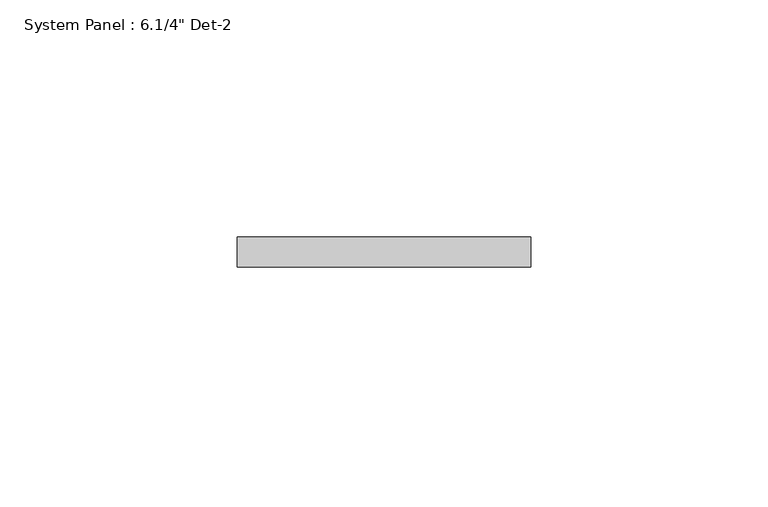
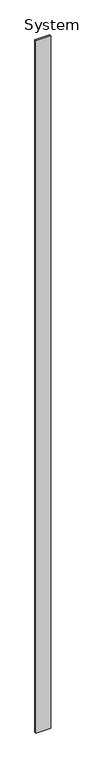
"""IFC4 building model written with IfcOpenShell, lengths in millimetres: plate geometry."""

import ifcopenshell
import ifcopenshell.guid

model = None  # the IFC model being written
_history = None  # IfcOwnerHistory: only IFC2X3 demands one
_inside = {}  # id of a spatial element -> (the spatial element, [elements in it])
_under = {}  # id of a project, library or spatial element -> (it, [spatial elements below it])
_declared = {}  # id of a project -> (the project, [libraries it declares])
_typed = {}  # id of a type object -> (the type object, [elements of that type])
_made_of = {}  # id of a material, layer set ... -> (it, [elements and type objects made of it])


def new_model(schema):
    """Start an empty IFC model of exactly this schema.

    Asked for "IFC4X3", IfcOpenShell would pick the latest addendum, in which some entities
    have other attributes; the version numbers below select the first issue.
    IFC2X3 requires an IfcOwnerHistory on every rooted entity: one is made here for all.
    """
    global model, _history
    if schema == "IFC4X3":
        model = ifcopenshell.file(schema_version=(4, 3, 0, 0))
    else:
        model = ifcopenshell.file(schema=schema)
    _inside.clear()
    _under.clear()
    _declared.clear()
    _typed.clear()
    _made_of.clear()
    _history = None
    if model.schema == "IFC2X3":
        org = make("IfcOrganization", Name="unknown")
        user = make(
            "IfcPersonAndOrganization",
            ThePerson=make("IfcPerson", FamilyName="unknown"),
            TheOrganization=org,
        )
        app = make(
            "IfcApplication",
            ApplicationDeveloper=org,
            Version="unknown",
            ApplicationFullName="unknown",
            ApplicationIdentifier="unknown",
        )
        _history = make(
            "IfcOwnerHistory",
            OwningUser=user,
            OwningApplication=app,
            ChangeAction="ADDED",
            CreationDate=0,
        )
    return model


def make(cls, **values):
    """One entity of the class cls with the attributes given. An attribute that is None is left unset."""
    return model.create_entity(
        cls, **{name: value for name, value in values.items() if value is not None}
    )


def rooted(cls, **values):
    """An entity with a GlobalId (a new one), such as an element, a storey or a relation."""
    return make(cls, GlobalId=ifcopenshell.guid.new(), OwnerHistory=_history, **values)


def si_unit(unit_type, name, prefix=None):
    """IfcSIUnit, for example si_unit("LENGTHUNIT", "METRE", prefix="MILLI")."""
    return make("IfcSIUnit", UnitType=unit_type, Prefix=prefix, Name=name)


def assignment(units):
    """IfcUnitAssignment: the units of a project."""
    return None if units is None else make("IfcUnitAssignment", Units=units)


def point(xyz):
    """IfcCartesianPoint."""
    return None if xyz is None else make("IfcCartesianPoint", Coordinates=xyz)


def direction(xyz):
    """IfcDirection."""
    return None if xyz is None else make("IfcDirection", DirectionRatios=xyz)


def frame(location, z_axis=None, x_axis=None):
    """IfcAxis2Placement3D, a coordinate frame: its origin and axes. An axis left out is left unset."""
    return make(
        "IfcAxis2Placement3D",
        Location=point(location),
        Axis=direction(z_axis),
        RefDirection=direction(x_axis),
    )


def origin():
    """The frame at (0, 0, 0) with its axes left unset."""
    return frame((0.0, 0.0, 0.0))


def origin_with_axes():
    """The frame at (0, 0, 0) with the z axis (0, 0, 1) and the x axis (1, 0, 0) written out."""
    return frame((0.0, 0.0, 0.0), z_axis=(0.0, 0.0, 1.0), x_axis=(1.0, 0.0, 0.0))


def place(relative_to, where):
    """IfcLocalPlacement: puts the frame where relative to a parent placement (None: the world)."""
    return make(
        "IfcLocalPlacement", PlacementRelTo=relative_to, RelativePlacement=where
    )


def context(
    kind, dimensions, precision=None, world=None, true_north=None, identifier=None
):
    """IfcGeometricRepresentationContext, for example the 3D "Model" context."""
    return make(
        "IfcGeometricRepresentationContext",
        ContextIdentifier=identifier,
        ContextType=kind,
        CoordinateSpaceDimension=dimensions,
        Precision=precision,
        WorldCoordinateSystem=world,
        TrueNorth=true_north,
    )


def project(units=None, contexts=None):
    """IfcProject with its units and contexts."""
    return rooted(
        "IfcProject",
        Name="project",
        RepresentationContexts=contexts,
        UnitsInContext=assignment(units),
    )


def spatial(cls, under=None, at=None, **own):
    """A site, building, storey or space (cls), placed at a placement, below another one or the project."""
    s = rooted(cls, ObjectPlacement=at, **own)
    if under is not None:
        _under.setdefault(under.id(), (under, []))[1].append(s)
    return s


def polyline(points):
    """IfcPolyline through the points."""
    return make("IfcPolyline", Points=[point(p) for p in points])


def outline(outer, holes=None, kind="AREA"):
    """IfcArbitraryClosedProfileDef: a profile drawn as a closed curve; with holes, ...WithVoids."""
    if holes is None:
        return make("IfcArbitraryClosedProfileDef", ProfileType=kind, OuterCurve=outer)
    return make(
        "IfcArbitraryProfileDefWithVoids",
        ProfileType=kind,
        OuterCurve=outer,
        InnerCurves=holes,
    )


def extrude(swept, where, along, depth):
    """IfcExtrudedAreaSolid: the profile swept, set in the frame where, extruded along a direction by depth."""
    return make(
        "IfcExtrudedAreaSolid",
        SweptArea=swept,
        Position=where,
        ExtrudedDirection=direction(along),
        Depth=depth,
    )


def shape(context_of_items, identifier, shape_type, items):
    """IfcShapeRepresentation: the items that make up one representation, for example the "Body"."""
    return make(
        "IfcShapeRepresentation",
        ContextOfItems=context_of_items,
        RepresentationIdentifier=identifier,
        RepresentationType=shape_type,
        Items=items,
    )


def source(mapping_origin, context_of_items, identifier, shape_type, items):
    """IfcRepresentationMap: a shape defined once, which mapped items show again and again."""
    return make(
        "IfcRepresentationMap",
        MappingOrigin=mapping_origin,
        MappedRepresentation=shape(context_of_items, identifier, shape_type, items),
    )


def transform(
    local_origin,
    x_axis=None,
    y_axis=None,
    z_axis=None,
    scale=None,
    scale2=None,
    scale3=None,
    uniform=True,
):
    """IfcCartesianTransformationOperator3D, or its non-uniform kind. x_axis, y_axis, z_axis: its Axis1, 2, 3."""
    if uniform:
        return make(
            "IfcCartesianTransformationOperator3D",
            Axis1=direction(x_axis),
            Axis2=direction(y_axis),
            LocalOrigin=point(local_origin),
            Scale=scale,
            Axis3=direction(z_axis),
        )
    return make(
        "IfcCartesianTransformationOperator3DnonUniform",
        Axis1=direction(x_axis),
        Axis2=direction(y_axis),
        LocalOrigin=point(local_origin),
        Scale=scale,
        Axis3=direction(z_axis),
        Scale2=scale2,
        Scale3=scale3,
    )


def mapped(mapping_source, mapping_target):
    """IfcMappedItem: shows the shape of a source again, moved by a transform."""
    return make(
        "IfcMappedItem", MappingSource=mapping_source, MappingTarget=mapping_target
    )


def made_of(thing, what):
    """Note that an element or type object is made of a material, layer set ...; save() writes the relation."""
    if what is not None:
        _made_of.setdefault(what.id(), (what, []))[1].append(thing)
    return thing


def element(
    cls,
    number,
    at=None,
    inside=None,
    cuts=None,
    type_object=None,
    material=None,
    context=None,
    identifier="Body",
    shape_type=None,
    held_by="IfcProductDefinitionShape",
    body=None,
    shapes=None,
    **own,
):
    """One element of the class cls, such as IfcWall. Its Tag is "e" and its number.

    at: its placement. inside: the storey or other place that contains it. cuts: it is an
    opening in that element (IfcRelVoidsElement). A single representation is given by context,
    identifier, shape_type and body (its items); several are given by shapes. held_by: the class
    of the entity that holds the representations. save() writes the other relations.
    """
    e = rooted(cls, Tag="e%d" % number, ObjectPlacement=at, **own)
    if body is not None:
        shapes = [shape(context, identifier, shape_type, body)]
    if shapes is not None:
        e.Representation = make(held_by, Representations=shapes)
    if inside is not None:
        _inside.setdefault(inside.id(), (inside, []))[1].append(e)
    if cuts is not None:
        rooted(
            "IfcRelVoidsElement", RelatingBuildingElement=cuts, RelatedOpeningElement=e
        )
    if type_object is not None:
        _typed.setdefault(type_object.id(), (type_object, []))[1].append(e)
    return made_of(e, material)


def aggregate(whole, parts):
    """IfcRelAggregates: a whole, such as a stair, and the parts it consists of."""
    return rooted("IfcRelAggregates", RelatingObject=whole, RelatedObjects=parts)


def save(model, path):
    """Write the relations noted so far, then the file.

    IfcRelAggregates (storeys below a building ...), IfcRelContainedInSpatialStructure (elements
    in a storey), IfcRelDefinesByType, IfcRelAssociatesMaterial and IfcRelDeclares: one each for
    every whole, place, type object, material and project.
    """
    for whole, parts in _under.values():
        aggregate(whole, parts)
    for where, things in _inside.values():
        rooted(
            "IfcRelContainedInSpatialStructure",
            RelatedElements=things,
            RelatingStructure=where,
        )
    for kind, things in _typed.values():
        rooted("IfcRelDefinesByType", RelatedObjects=things, RelatingType=kind)
    for what, things in _made_of.values():
        rooted("IfcRelAssociatesMaterial", RelatedObjects=things, RelatingMaterial=what)
    for by, libraries in _declared.values():
        rooted("IfcRelDeclares", RelatingContext=by, RelatedDefinitions=libraries)
    model.write(path)


def plate_4fa1e558(model_context):
    return source(origin(), model_context, "Body", "SweptSolid", [
        extrude(outline(polyline([(30.9178602, 0.0), (-30.9178602, 0.0), (-30.9178602, 6.35), (30.9178602, 6.35), (30.9178602, 0.0)])), origin_with_axes(), (0.0, 0.0, 1.0), 3048.0),
    ])


if __name__ == "__main__":
    model = new_model("IFC4")
    model_context = context("Model", 3, world=origin())
    ifc_project = project(units=[si_unit("LENGTHUNIT", "METRE", prefix="MILLI")], contexts=[model_context])
    site = spatial("IfcSite", under=ifc_project)
    building = spatial("IfcBuilding", under=site)
    placement = place(None, origin())
    plate_shape = plate_4fa1e558(model_context)
    element("IfcPlate", 1, ObjectType="System Panel : 6.1/4\" Det-2", at=placement, inside=building, context=model_context, shape_type="MappedRepresentation", body=[
        mapped(plate_shape, transform((0.0, 0.0, 0.0), x_axis=(1.0, 0.0, 0.0), y_axis=(0.0, 1.0, 0.0), z_axis=(0.0, 0.0, 1.0))),
    ])
    save(model, "model.ifc")
